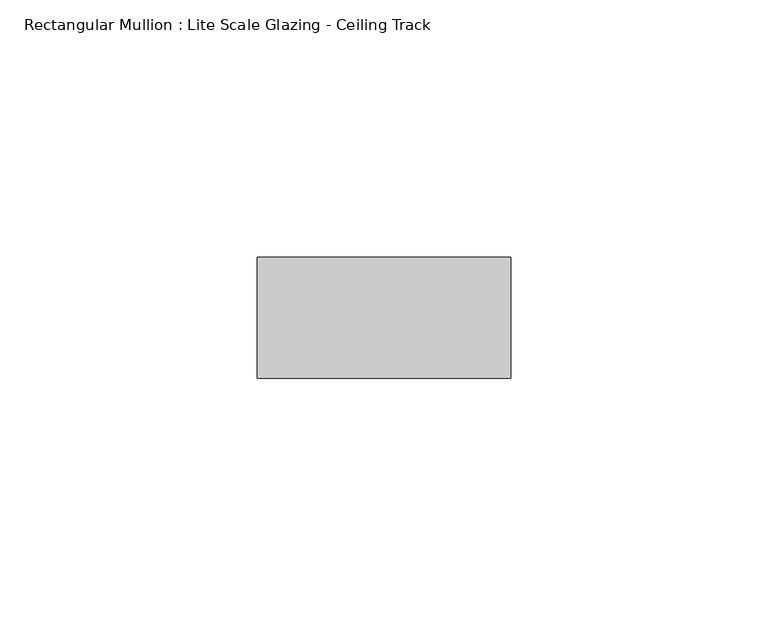
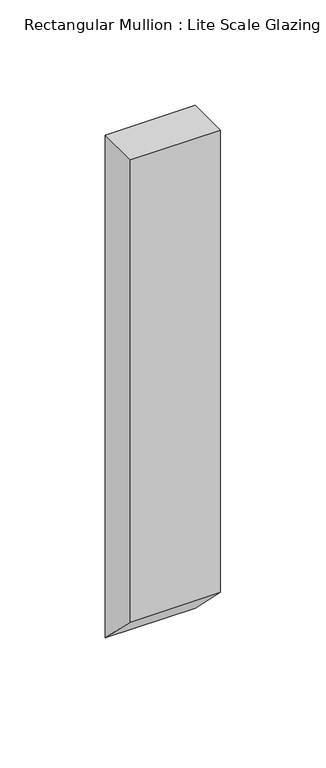
"""IFC4 building model written with IfcOpenShell, lengths in millimetres: member geometry, Rectangular Mullion : Lite Scale Glazing - Ceiling Track."""

from ifc_helpers import new_model, si_unit, frame, origin, place, context, project, spatial, polyline, outline, extrude, source, transform, mapped, element, save


def rectangular_mullion_lite_scale_glazing_ceiling_track_2e148a09(model_context):
    return source(origin(), model_context, "Body", "SweptSolid", [
        extrude(outline(polyline([(-11.7474999, 0.0), (11.7474999, 0.0), (11.7474999, -291.1474999), (-11.7474999, -267.6525001), (-11.7474999, 0.0)])), frame((-49.276, 0.0, 0.0), z_axis=(1.0, 0.0, 0.0), x_axis=(0.0, 1.0, 0.0)), (0.0, 0.0, 1.0), 49.276),
    ])


if __name__ == "__main__":
    model = new_model("IFC4")
    model_context = context("Model", 3, world=origin())
    ifc_project = project(units=[si_unit("LENGTHUNIT", "METRE", prefix="MILLI")], contexts=[model_context])
    site = spatial("IfcSite", under=ifc_project)
    building = spatial("IfcBuilding", under=site)
    placement = place(None, origin())
    rectangular_mullion_lite_scale_glazing_ceiling_track_shape = rectangular_mullion_lite_scale_glazing_ceiling_track_2e148a09(model_context)
    element("IfcMember", 1, ObjectType="Rectangular Mullion : Lite Scale Glazing - Ceiling Track", at=placement, inside=building, context=model_context, shape_type="MappedRepresentation", body=[
        mapped(rectangular_mullion_lite_scale_glazing_ceiling_track_shape, transform((0.0, 0.0, 0.0), x_axis=(1.0, 0.0, 0.0), y_axis=(0.0, 1.0, 0.0), z_axis=(0.0, 0.0, 1.0))),
    ])
    save(model, "model.ifc")
